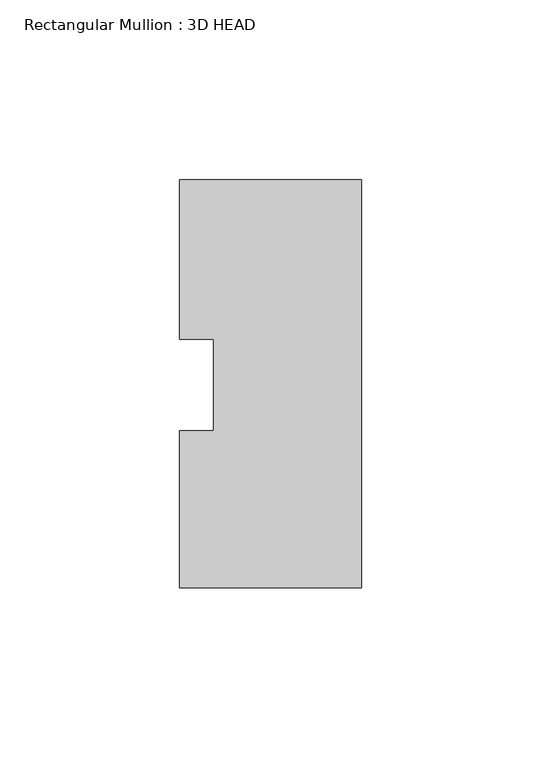
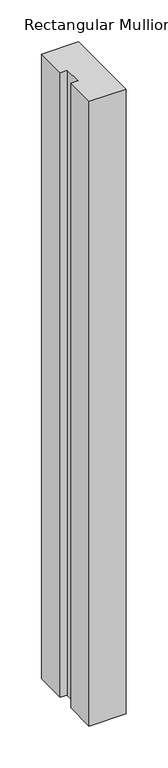
"""IFC4 building model written with IfcOpenShell, lengths in millimetres: member geometry, Rectangular Mullion : 3D HEAD."""

from ifc_helpers import new_model, si_unit, frame, origin, place, context, project, spatial, polyline, outline, extrude, source, transform, mapped, element, save


def rectangular_mullion_3d_head_28b517e4(model_context):
    return source(origin(), model_context, "Body", "SweptSolid", [
        extrude(outline(polyline([(0.0, -56.4681052), (-50.8, -56.4681052), (-50.8, -12.6827714), (-41.275, -12.6827714), (-41.275, 12.8118553), (-50.8, 12.8118553), (-50.8, 57.2618553), (0.0, 57.2618553), (0.0, -56.4681052)])), frame((0.0, 0.0, -911.225), z_axis=(0.0, 0.0, 1.0), x_axis=(1.0, 0.0, 0.0)), (0.0, 0.0, 1.0), 911.225),
    ])


if __name__ == "__main__":
    model = new_model("IFC4")
    model_context = context("Model", 3, world=origin())
    ifc_project = project(units=[si_unit("LENGTHUNIT", "METRE", prefix="MILLI")], contexts=[model_context])
    site = spatial("IfcSite", under=ifc_project)
    building = spatial("IfcBuilding", under=site)
    placement = place(None, origin())
    rectangular_mullion_3d_head_shape = rectangular_mullion_3d_head_28b517e4(model_context)
    element("IfcMember", 1, ObjectType="Rectangular Mullion : 3D HEAD", at=placement, inside=building, context=model_context, shape_type="MappedRepresentation", body=[
        mapped(rectangular_mullion_3d_head_shape, transform((0.0, 0.0, 0.0), x_axis=(1.0, 0.0, 0.0), y_axis=(0.0, 1.0, 0.0), z_axis=(0.0, 0.0, 1.0))),
    ])
    save(model, "model.ifc")
